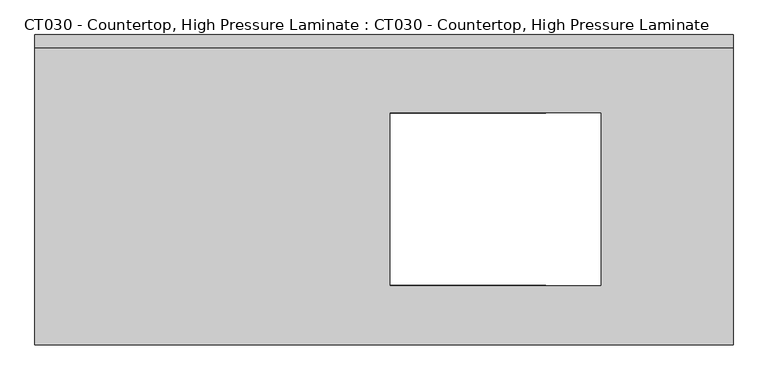
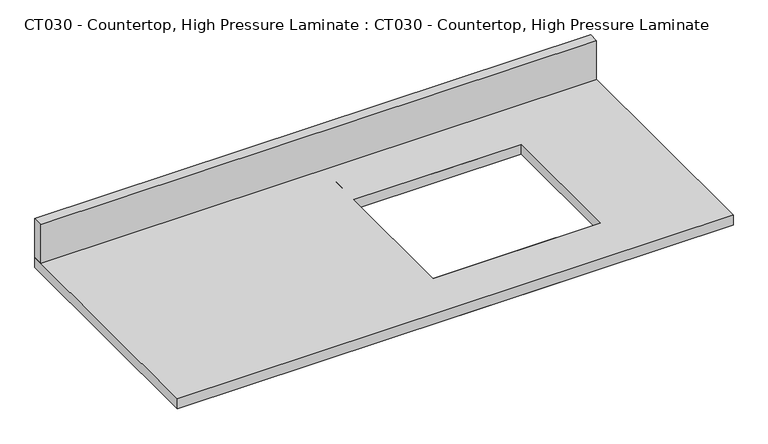
"""IFC4 building model written with IfcOpenShell, lengths in millimetres: proxy geometry, CT030 - Countertop, High Pressure Laminate : CT030 - Countertop, High Pressure Laminate."""

from ifc_helpers import new_model, si_unit, frame, origin, place, context, project, spatial, polyline, outline, extrude, source, transform, mapped, element, save


def ct030_countertop_high_pressure_laminate_ct030_countertop_56f8d8d7(model_context):
    return source(origin(), model_context, "Body", "SweptSolid", [
        extrude(outline(polyline([(520.6999999, 304.8), (520.6999999, -304.8), (-850.9, -304.8), (-850.9, 304.8), (520.6999999, 304.8)]), holes=[polyline([(260.35, 150.9047148), (-152.4, 150.9047148), (-152.4, -187.6471077), (260.35, -187.6471077), (260.35, 150.9047148)])]), frame((0.0, 0.0, 838.2), z_axis=(0.0, 0.0, 1.0), x_axis=(1.0, 0.0, 0.0)), (0.0, 0.0, 1.0), 25.4),
        extrude(outline(polyline([(152.4, -304.8), (-152.4, -304.8), (-152.4, -187.6471077), (152.4, -187.6471077), (152.4, -304.8)])), frame((0.0, 0.0, 838.2), z_axis=(0.0, 0.0, 1.0), x_axis=(1.0, 0.0, 0.0)), (0.0, 0.0, 1.0), 25.4),
        extrude(outline(polyline([(-152.4, 304.8), (152.4, 304.8), (152.4, 150.9047148), (-152.4, 150.9047148), (-152.4, 304.8)])), frame((0.0, 0.0, 838.2), z_axis=(0.0, 0.0, 1.0), x_axis=(1.0, 0.0, 0.0)), (0.0, 0.0, 1.0), 25.4),
        extrude(outline(polyline([(-850.9, 279.4), (-850.9, 304.8), (520.6999999, 304.8), (520.6999999, 279.4), (-850.9, 279.4)])), frame((0.0, 0.0, 863.6), z_axis=(0.0, 0.0, 1.0), x_axis=(1.0, 0.0, 0.0)), (0.0, 0.0, 1.0), 101.6),
    ])


if __name__ == "__main__":
    model = new_model("IFC4")
    model_context = context("Model", 3, world=origin())
    ifc_project = project(units=[si_unit("LENGTHUNIT", "METRE", prefix="MILLI")], contexts=[model_context])
    site = spatial("IfcSite", under=ifc_project)
    building = spatial("IfcBuilding", under=site)
    placement = place(None, origin())
    ct030_countertop_high_pressure_laminate_ct030_countertop_shape = ct030_countertop_high_pressure_laminate_ct030_countertop_56f8d8d7(model_context)
    element("IfcBuildingElementProxy", 1, Name="CT030 - Countertop, High Pressure Laminate : CT030 - Countertop, High Pressure Laminate", ObjectType="CT030 - Countertop, High Pressure Laminate : CT030 - Countertop, High Pressure Laminate", at=placement, inside=building, context=model_context, shape_type="MappedRepresentation", body=[
        mapped(ct030_countertop_high_pressure_laminate_ct030_countertop_shape, transform((0.0, 0.0, 0.0), x_axis=(1.0, 0.0, 0.0), y_axis=(0.0, 1.0, 0.0), z_axis=(0.0, 0.0, 1.0))),
    ])
    save(model, "model.ifc")
